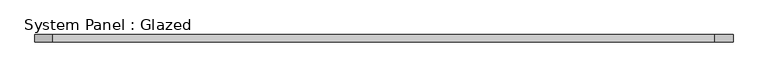
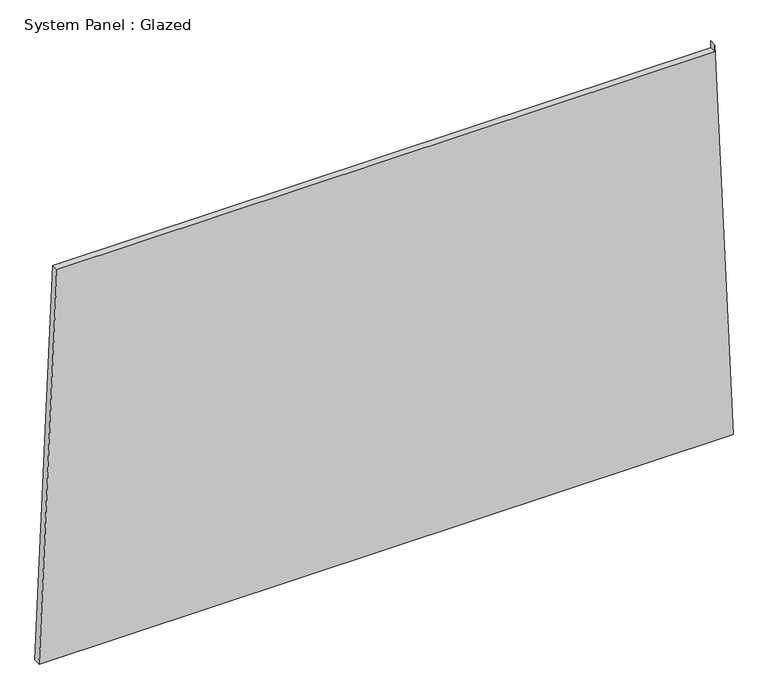
"""IFC4 building model written with IfcOpenShell, lengths in millimetres: plate geometry, System Panel : Glazed."""

from ifc_helpers import new_model, si_unit, frame, origin, place, context, project, spatial, polyline, outline, extrude, source, transform, mapped, element, save


def system_panel_glazed_88a9723f(model_context):
    return source(origin(), model_context, "Body", "SweptSolid", [
        extrude(outline(polyline([(0.0, -1222.3335102), (0.0, 1222.3335102), (1473.5847509, 1158.2876387), (1448.5847509, 1158.2876382), (1448.5847969, -1159.3744014), (0.0, -1222.3335102)])), frame((0.0, -49.5, 0.0), z_axis=(0.0, 1.0, 0.0), x_axis=(0.0, 0.0, 1.0)), (0.0, 0.0, 1.0), 25.0),
    ])


if __name__ == "__main__":
    model = new_model("IFC4")
    model_context = context("Model", 3, world=origin())
    ifc_project = project(units=[si_unit("LENGTHUNIT", "METRE", prefix="MILLI")], contexts=[model_context])
    site = spatial("IfcSite", under=ifc_project)
    building = spatial("IfcBuilding", under=site)
    placement = place(None, origin())
    system_panel_glazed_shape = system_panel_glazed_88a9723f(model_context)
    element("IfcPlate", 1, ObjectType="System Panel : Glazed", at=placement, inside=building, context=model_context, shape_type="MappedRepresentation", body=[
        mapped(system_panel_glazed_shape, transform((0.0, 0.0, 0.0), x_axis=(1.0, 0.0, 0.0), y_axis=(0.0, 1.0, 0.0), z_axis=(0.0, 0.0, 1.0))),
    ])
    save(model, "model.ifc")
